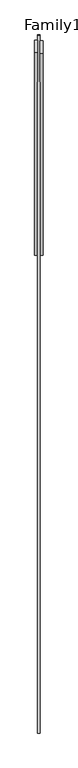
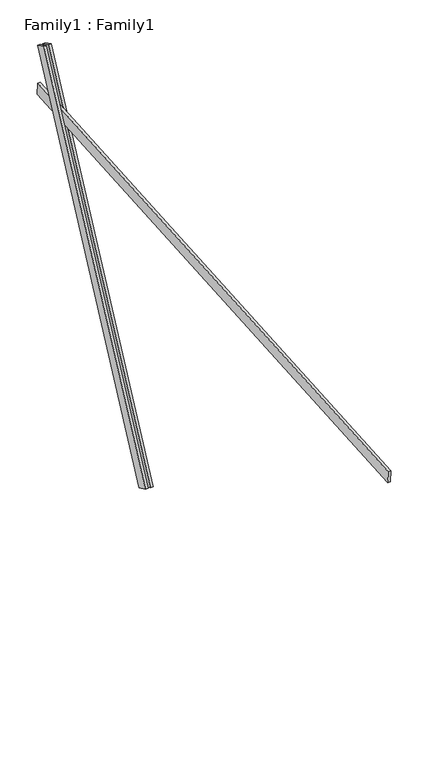
"""IFC4 building model written with IfcOpenShell, lengths in millimetres: proxy geometry, Family1 : Family1."""

from ifc_helpers import new_model, si_unit, frame, origin, place, context, project, spatial, polyline, outline, extrude, source, transform, mapped, element, save


def family1_family1_c0ee5e81(model_context):
    return source(origin(), model_context, "Body", "SweptSolid", [
        extrude(outline(polyline([(0.0, 0.0), (0.0, -20.0), (-100.0000001, -20.0), (-100.0000001, 0.0), (0.0, 0.0)])), frame((-30.0, 46.3241747, -22.5938096), z_axis=(0.0, 0.4383711467890692, 0.8987940462991711), x_axis=(0.0, 0.8987940462991711, -0.4383711467890692)), (0.0, 0.0, 1.0), 3300.0),
        extrude(outline(polyline([(0.0, 0.0), (0.0, -20.0), (-99.9999999, -20.0), (-99.9999999, 0.0), (0.0, 0.0)])), frame((10.0, 45.270232, -22.0797674), z_axis=(0.0, 0.4383711467890692, 0.8987940462991711), x_axis=(0.0, 0.8987940462991711, -0.4383711467890692)), (0.0, 0.0, 1.0), 3300.0),
        extrude(outline(polyline([(0.0, -20.0), (0.0, 0.0), (5000.0, 0.0), (5000.0, -20.0), (0.0, -20.0)])), frame((-10.0, -3455.8906884, 2139.0109056), z_axis=(0.0, -0.06975647374412258, 0.9975640502598245), x_axis=(0.0, 0.9975640502598245, 0.06975647374412258)), (0.0, 0.0, 1.0), 100.0),
    ])


if __name__ == "__main__":
    model = new_model("IFC4")
    model_context = context("Model", 3, world=origin())
    ifc_project = project(units=[si_unit("LENGTHUNIT", "METRE", prefix="MILLI")], contexts=[model_context])
    site = spatial("IfcSite", under=ifc_project)
    building = spatial("IfcBuilding", under=site)
    placement = place(None, origin())
    family1_family1_shape = family1_family1_c0ee5e81(model_context)
    element("IfcBuildingElementProxy", 1, Name="Family1 : Family1", ObjectType="Family1 : Family1", at=placement, inside=building, context=model_context, shape_type="MappedRepresentation", body=[
        mapped(family1_family1_shape, transform((0.0, 0.0, 0.0), x_axis=(1.0, 0.0, 0.0), y_axis=(0.0, 1.0, 0.0), z_axis=(0.0, 0.0, 1.0))),
    ])
    save(model, "model.ifc")
